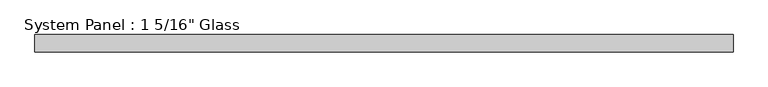
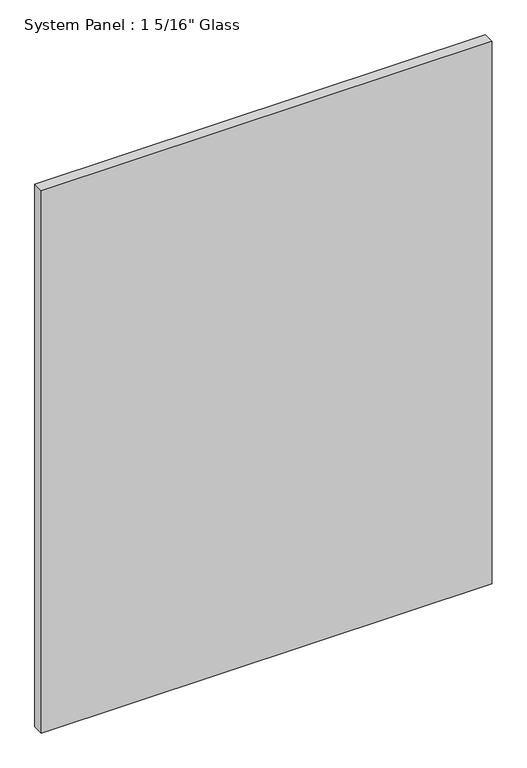
"""IFC4 building model written with IfcOpenShell, lengths in millimetres: plate geometry."""

from ifc_helpers import new_model, si_unit, origin, origin_with_axes, place, context, project, spatial, polyline, outline, extrude, source, transform, mapped, element, save


def plate_98f78668(model_context):
    return source(origin(), model_context, "Body", "SweptSolid", [
        extrude(outline(polyline([(669.2013475, -16.66875), (-669.2013475, -16.66875), (-669.2013475, 16.66875), (669.2013475, 16.66875), (669.2013475, -16.66875)])), origin_with_axes(), (0.0, 0.0, 1.0), 1701.8),
    ])


if __name__ == "__main__":
    model = new_model("IFC4")
    model_context = context("Model", 3, world=origin())
    ifc_project = project(units=[si_unit("LENGTHUNIT", "METRE", prefix="MILLI")], contexts=[model_context])
    site = spatial("IfcSite", under=ifc_project)
    building = spatial("IfcBuilding", under=site)
    placement = place(None, origin())
    plate_shape = plate_98f78668(model_context)
    element("IfcPlate", 1, ObjectType="System Panel : 1 5/16\" Glass", at=placement, inside=building, context=model_context, shape_type="MappedRepresentation", body=[
        mapped(plate_shape, transform((0.0, 0.0, 0.0), x_axis=(1.0, 0.0, 0.0), y_axis=(0.0, 1.0, 0.0), z_axis=(0.0, 0.0, 1.0))),
    ])
    save(model, "model.ifc")
